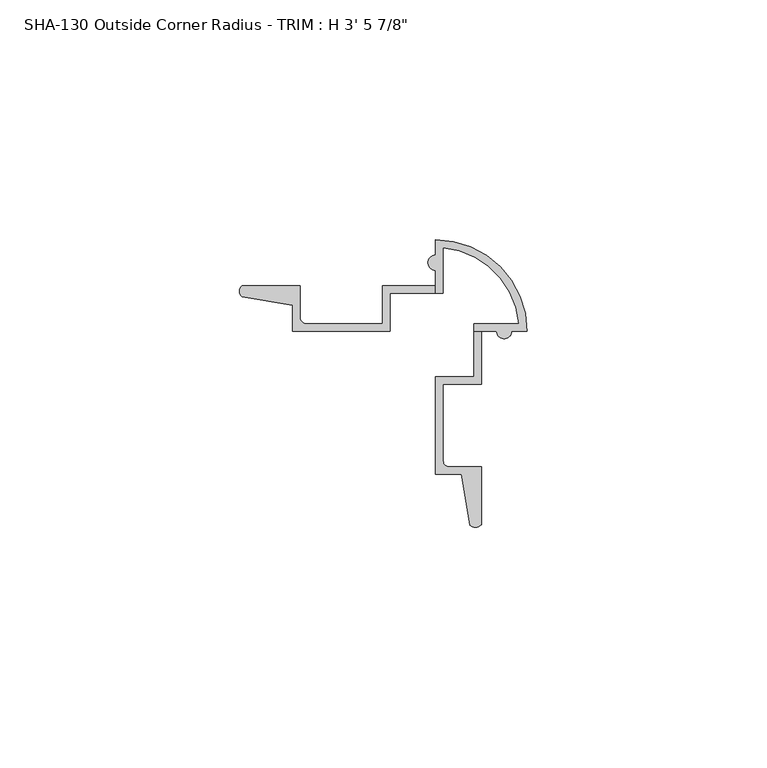
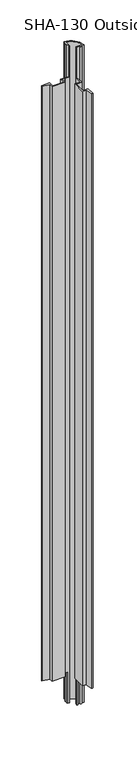
"""IFC4 building model written with IfcOpenShell, lengths in millimetres: proxy geometry."""

from ifc_helpers import new_model, si_unit, frame, origin, place, context, project, spatial, polyline, circle_curve, source, transform, mapped, element, save
from ifc_brep_helpers import plane_surface, cylinder_surface, revolved_surface, advanced_brep


def proxy_dfa4e2c7(model_context):
    return source(origin(), model_context, "Body", "AdvancedBrep", [
        advanced_brep(
        [(12.1674257, 18.5518856, 1063.625), (12.1674257, 27.9930315, 1063.625), (27.9839716, 12.1764856, 1063.625), (18.5428257, 12.1764856, 1063.625), (18.5428257, 10.6016856, 1063.625), (23.3053257, 10.6016856, 1063.625), (26.4549257, 10.6016856, 1063.625), (29.6426257, 10.6016856, 1063.625), (10.5926257, 29.6516856, 1063.625), (10.5926257, 26.4639856, 1063.625), (10.5926257, 23.3143856, 1063.625), (10.5926257, 18.5518856, 1063.625), (10.5926257, 23.3143856, 0.0), (10.5926257, 26.4639856, 0.0), (10.5926257, 29.6516856, 0.0), (29.6426257, 10.6016856, 0.0), (26.4549257, 10.6016856, 0.0), (23.3053257, 10.6016856, 0.0), (20.1176257, 10.6016856, 0.0), (20.1176257, 9.0259509, 0.0), (18.5428257, 9.0259509, 0.0), (18.5428257, 12.1764856, 0.0), (27.9839716, 12.1764856, 0.0), (12.1674257, 27.9930315, 0.0), (12.1674257, 18.5518856, 0.0), (9.0178257, 18.5518856, 0.0), (9.0178257, 20.1266856, 0.0), (10.5926257, 20.1266856, 0.0), (10.5926257, 20.1266856, 1012.825), (10.5926257, 18.5518856, 1012.825), (9.0178257, 20.1266856, 50.8), (-0.5071743, 20.1266856, 50.8), (-0.5071743, 20.1266856, 1012.825), (-0.5071743, 12.1764856, 50.8), (-0.5071743, 12.1764856, 1012.825), (-16.4035953, 12.1764856, 50.8), (-16.4035953, 12.1764856, 1012.825), (-17.6735953, 13.4464856, 50.8), (-17.6735953, 13.4464856, 1012.825), (-17.6735953, 20.1266856, 50.8), (-17.6735953, 20.1266856, 1012.825), (-29.7583984, 20.1266856, 50.8), (-29.7583984, 20.1266856, 1012.825), (-29.8244822, 17.8053164, 50.8), (-29.8244822, 17.8053164, 1012.825), (-30.2838801, 18.9340091, 1012.825), (-19.2483953, 15.9943426, 50.8), (-19.2483953, 15.9943426, 1012.825), (-19.2483953, 10.6016856, 50.8), (-19.2483953, 10.6016856, 1012.825), (1.0676257, 10.6016856, 50.8), (1.0676257, 10.6016856, 1012.825), (1.0676257, 18.5518856, 50.8), (1.0676257, 18.5518856, 1012.825), (9.0178257, 18.5518856, 50.8), (18.5428257, 9.0259509, 50.8), (18.5428257, 1.0766856, 50.8), (18.5428257, 1.0766856, 1012.825), (18.5428257, 10.6016856, 1012.825), (10.5926257, 1.0766856, 50.8), (10.5926257, 1.0766856, 1012.825), (10.5926257, -19.2393354, 50.8), (10.5926257, -19.2393354, 1012.825), (15.9852827, -19.2393354, 50.8), (15.9852827, -19.2393354, 1012.825), (17.7962565, -29.8154223, 50.8), (17.7962565, -29.8154223, 1012.825), (18.9249492, -30.2748202, 50.8), (20.1176257, -29.7493385, 50.8), (20.1176257, -29.7493385, 1012.825), (18.9249492, -30.2748202, 1012.825), (20.1176257, -17.6645354, 50.8), (20.1176257, -17.6645354, 1012.825), (13.4374257, -17.6645354, 50.8), (13.4374257, -17.6645354, 1012.825), (12.1674257, -16.3945354, 50.8), (12.1674257, -16.3945354, 1012.825), (12.1674257, -0.4981144, 50.8), (12.1674257, -0.4981144, 1012.825), (20.1176257, -0.4981144, 50.8), (20.1176257, -0.4981144, 1012.825), (20.1176257, 10.6016856, 1012.825), (20.1176257, 9.0259509, 50.8)],
        [
            (0, 1),
            (1, 2, circle_curve(frame((10.5926257, 10.6016856, 1063.625), z_axis=(0.0, 0.0, -1.0), x_axis=(1.0, 0.0, 0.0)), 17.4625)),
            (2, 3),
            (3, 4),
            (4, 5),
            (5, 6, circle_curve(frame((24.8801257, 10.6016856, 1063.625), z_axis=(0.0, 0.0, 1.0), x_axis=(1.0, 0.0, 0.0)), 1.5748)),
            (6, 7),
            (7, 8, circle_curve(frame((10.5926257, 10.6016856, 1063.625), z_axis=(0.0, 0.0, 1.0), x_axis=(1.0, 0.0, 0.0)), 19.05)),
            (8, 9),
            (9, 10, circle_curve(frame((10.5926257, 24.8891856, 1063.625), z_axis=(0.0, 0.0, 1.0), x_axis=(1.0, 0.0, 0.0)), 1.5748)),
            (10, 11),
            (11, 0),
            (12, 13, circle_curve(frame((10.5926257, 24.8891856, 0.0), z_axis=(0.0, 0.0, -1.0), x_axis=(1.0, 0.0, 0.0)), 1.5748)),
            (13, 14),
            (14, 15, circle_curve(frame((10.5926257, 10.6016856, 0.0), z_axis=(0.0, 0.0, -1.0), x_axis=(1.0, 0.0, 0.0)), 19.05)),
            (15, 16),
            (16, 17, circle_curve(frame((24.8801257, 10.6016856, 0.0), z_axis=(0.0, 0.0, -1.0), x_axis=(1.0, 0.0, 0.0)), 1.5748)),
            (17, 18),
            (18, 19),
            (19, 20),
            (20, 21),
            (21, 22),
            (22, 23, circle_curve(frame((10.5926257, 10.6016856, 0.0), z_axis=(0.0, 0.0, 1.0), x_axis=(1.0, 0.0, 0.0)), 17.4625)),
            (23, 24),
            (24, 25),
            (25, 26),
            (26, 27),
            (27, 12),
            (27, 28),
            (28, 29),
            (29, 11),
            (10, 12),
            (26, 30),
            (30, 31),
            (31, 32),
            (32, 28),
            (31, 33),
            (33, 34),
            (34, 32),
            (33, 35),
            (35, 36),
            (36, 34),
            (35, 37, circle_curve(frame((-16.4035953, 13.4464856, 50.8), z_axis=(0.0, 0.0, -1.0), x_axis=(1.0, 0.0, 0.0)), 1.27)),
            (37, 38),
            (38, 36, circle_curve(frame((-16.4035953, 13.4464856, 1012.825), z_axis=(0.0, 0.0, 1.0), x_axis=(1.0, 0.0, 0.0)), 1.27)),
            (37, 39),
            (39, 40),
            (40, 38),
            (39, 41),
            (41, 42),
            (42, 40),
            (41, 43, circle_curve(frame((-28.6676408, 18.9340091, 50.8), z_axis=(0.0, 0.0, 1.0), x_axis=(1.0, 0.0, 0.0)), 1.6162393)),
            (43, 44),
            (44, 45, circle_curve(frame((-28.6676408, 18.9340091, 1012.825), z_axis=(0.0, 0.0, -1.0), x_axis=(1.0, 0.0, 0.0)), 1.6162393)),
            (45, 42, circle_curve(frame((-28.6676408, 18.9340091, 1012.825), z_axis=(0.0, 0.0, -1.0), x_axis=(1.0, 0.0, 0.0)), 1.6162393)),
            (43, 46),
            (46, 47),
            (47, 44),
            (46, 48),
            (48, 49),
            (49, 47),
            (48, 50),
            (50, 51),
            (51, 49),
            (50, 52),
            (52, 53),
            (53, 51),
            (24, 0),
            (29, 53),
            (52, 54),
            (54, 25),
            (23, 1),
            (2, 22),
            (21, 3),
            (20, 55),
            (55, 56),
            (56, 57),
            (57, 58),
            (58, 4),
            (56, 59),
            (59, 60),
            (60, 57),
            (59, 61),
            (61, 62),
            (62, 60),
            (61, 63),
            (63, 64),
            (64, 62),
            (63, 65),
            (65, 66),
            (66, 64),
            (65, 67, circle_curve(frame((18.9249492, -28.6585809, 50.8), z_axis=(0.0, 0.0, 1.0), x_axis=(1.0, 0.0, 0.0)), 1.6162393)),
            (67, 68, circle_curve(frame((18.9249492, -28.6585809, 50.8), z_axis=(0.0, 0.0, 1.0), x_axis=(1.0, 0.0, 0.0)), 1.6162393)),
            (68, 69),
            (69, 70, circle_curve(frame((18.9249492, -28.6585809, 1012.825), z_axis=(0.0, 0.0, -1.0), x_axis=(1.0, 0.0, 0.0)), 1.6162393)),
            (70, 66, circle_curve(frame((18.9249492, -28.6585809, 1012.825), z_axis=(0.0, 0.0, -1.0), x_axis=(1.0, 0.0, 0.0)), 1.6162393)),
            (68, 71),
            (71, 72),
            (72, 69),
            (71, 73),
            (73, 74),
            (74, 72),
            (73, 75, circle_curve(frame((13.4374257, -16.3945354, 50.8), z_axis=(0.0, 0.0, -1.0), x_axis=(1.0, 0.0, 0.0)), 1.27)),
            (75, 76),
            (76, 74, circle_curve(frame((13.4374257, -16.3945354, 1012.825), z_axis=(0.0, 0.0, 1.0), x_axis=(1.0, 0.0, 0.0)), 1.27)),
            (75, 77),
            (77, 78),
            (78, 76),
            (77, 79),
            (79, 80),
            (80, 78),
            (18, 81),
            (81, 80),
            (79, 82),
            (82, 19),
            (17, 5),
            (58, 81),
            (16, 6),
            (15, 7),
            (8, 14),
            (13, 9),
            (82, 55),
            (54, 30),
        ],
        [
            plane_surface(frame((10.5926257, 20.1266856, 1063.625), z_axis=(0.0, 0.0, 1.0), x_axis=(0.0, -1.0, 0.0))),
            plane_surface(frame((10.5926257, 20.1266856, 0.0), z_axis=(0.0, 0.0, -1.0), x_axis=(0.0, 1.0, 0.0))),
            plane_surface(frame((10.5926257, 23.3143856, 1063.625), z_axis=(-1.0, 0.0, 0.0), x_axis=(0.0, 0.0, -1.0))),
            plane_surface(frame((10.5926257, 20.1266856, 1063.625), z_axis=(0.0, 1.0, 0.0), x_axis=(0.0, 0.0, -1.0))),
            plane_surface(frame((-0.5071743, 20.1266856, 1063.625), z_axis=(-1.0, 0.0, 0.0), x_axis=(0.0, 0.0, -1.0))),
            plane_surface(frame((-0.5071743, 12.1764856, 1063.625), z_axis=(0.0, 1.0, 0.0), x_axis=(0.0, 0.0, -1.0))),
            revolved_surface(polyline([(-15.1335953, 13.4464856, 50.8), (-15.1335953, 13.4464856, 1012.825)]), (-16.4035953, 13.4464856, 0.0), (0.0, 0.0, -1.0)),
            plane_surface(frame((-17.6735953, 13.4464856, 1063.625), z_axis=(1.0, 0.0, 0.0), x_axis=(0.0, 0.0, -1.0))),
            plane_surface(frame((-17.6735953, 20.1266856, 1063.625), z_axis=(0.0, 1.0, 0.0), x_axis=(0.0, 0.0, -1.0))),
            cylinder_surface(frame((-28.6676408, 18.9340091, 0.0), z_axis=(0.0, 0.0, 1.0), x_axis=(1.0, 0.0, 0.0)), 1.6162393),
            plane_surface(frame((-29.8244822, 17.8053164, 1063.625), z_axis=(-0.1687764314038563, -0.9856543593991656, 0.0), x_axis=(0.0, 0.0, -1.0))),
            plane_surface(frame((-19.2483953, 15.9943426, 1063.625), z_axis=(-1.0, 0.0, 0.0), x_axis=(0.0, 0.0, -1.0))),
            plane_surface(frame((-19.2483953, 10.6016856, 1063.625), z_axis=(0.0, -1.0, 0.0), x_axis=(0.0, 0.0, -1.0))),
            plane_surface(frame((1.0676257, 10.6016856, 1063.625), z_axis=(1.0, 0.0, 0.0), x_axis=(0.0, 0.0, -1.0))),
            plane_surface(frame((1.0676257, 18.5518856, 1063.625), z_axis=(0.0, -1.0, 0.0), x_axis=(0.0, 0.0, -1.0))),
            plane_surface(frame((12.1674257, 18.5518856, 1063.625), z_axis=(1.0, 0.0, 0.0), x_axis=(0.0, 0.0, -1.0))),
            plane_surface(frame((27.9839716, 12.1764856, 1063.625), z_axis=(0.0, 1.0, 0.0), x_axis=(0.0, 0.0, -1.0))),
            plane_surface(frame((18.5428257, 12.1764856, 1063.625), z_axis=(-1.0, 0.0, 0.0), x_axis=(0.0, 0.0, -1.0))),
            plane_surface(frame((18.5428257, 1.0766856, 1063.625), z_axis=(0.0, 1.0, 0.0), x_axis=(0.0, 0.0, -1.0))),
            plane_surface(frame((10.5926257, 1.0766856, 1063.625), z_axis=(-1.0, 0.0, 0.0), x_axis=(0.0, 0.0, -1.0))),
            plane_surface(frame((10.5926257, -19.2393354, 1063.625), z_axis=(0.0, -1.0, 0.0), x_axis=(0.0, 0.0, -1.0))),
            plane_surface(frame((15.9852827, -19.2393354, 1063.625), z_axis=(-0.9856543593990691, -0.16877643140441978, 0.0), x_axis=(0.0, 0.0, -1.0))),
            cylinder_surface(frame((18.9249492, -28.6585809, 0.0), z_axis=(0.0, 0.0, 1.0), x_axis=(1.0, 0.0, 0.0)), 1.6162393),
            plane_surface(frame((20.1176257, -29.7493385, 1063.625), z_axis=(1.0, 0.0, 0.0), x_axis=(0.0, 0.0, -1.0))),
            plane_surface(frame((20.1176257, -17.6645354, 1063.625), z_axis=(0.0, 1.0, 0.0), x_axis=(0.0, 0.0, -1.0))),
            revolved_surface(polyline([(14.7074257, -16.3945354, 50.8), (14.7074257, -16.3945354, 1012.825)]), (13.4374257, -16.3945354, 0.0), (0.0, 0.0, -1.0)),
            plane_surface(frame((12.1674257, -16.3945354, 1063.625), z_axis=(1.0, 0.0, 0.0), x_axis=(0.0, 0.0, -1.0))),
            plane_surface(frame((12.1674257, -0.4981144, 1063.625), z_axis=(0.0, -1.0, 0.0), x_axis=(0.0, 0.0, -1.0))),
            plane_surface(frame((20.1176257, -0.4981144, 1063.625), z_axis=(1.0, 0.0, 0.0), x_axis=(0.0, 0.0, -1.0))),
            plane_surface(frame((20.1176257, 10.6016856, 1063.625), z_axis=(0.0, -1.0, 0.0), x_axis=(0.0, 0.0, -1.0))),
            cylinder_surface(frame((24.8801257, 10.6016856, 0.0), z_axis=(0.0, 0.0, 1.0), x_axis=(1.0, 0.0, 0.0)), 1.5748),
            plane_surface(frame((26.4549257, 10.6016856, 1063.625), z_axis=(0.0, -1.0, 0.0), x_axis=(0.0, 0.0, -1.0))),
            plane_surface(frame((10.5926257, 29.6516856, 1063.625), z_axis=(-1.0, 0.0, 0.0), x_axis=(0.0, 0.0, -1.0))),
            cylinder_surface(frame((10.5926257, 24.8891856, 0.0), z_axis=(0.0, 0.0, 1.0), x_axis=(1.0, 0.0, 0.0)), 1.5748),
            revolved_surface(polyline([(28.055125699999998, 10.6016856, 0.0), (28.055125699999998, 10.6016856, 1063.625)]), (10.5926257, 10.6016856, 0.0), (0.0, 0.0, -1.0)),
            cylinder_surface(frame((10.5926257, 10.6016856, 0.0), z_axis=(0.0, 0.0, 1.0), x_axis=(1.0, 0.0, 0.0)), 19.05),
            plane_surface(frame((20.1176257, -30.2748202, 1012.825), z_axis=(0.0, 0.0, 1.0), x_axis=(-1.0, 0.0, 0.0))),
            plane_surface(frame((20.1176257, 9.0259509, 0.0), z_axis=(0.0, -1.0, 0.0), x_axis=(-1.0, 0.0, 0.0))),
            plane_surface(frame((20.1176257, 9.0259509, 50.8), z_axis=(0.0, 0.0, -1.0), x_axis=(-1.0, 0.0, 0.0))),
            plane_surface(frame((-30.2838801, 10.515986, 1012.825), z_axis=(0.0, 0.0, 1.0), x_axis=(0.0, 1.0, 0.0))),
            plane_surface(frame((9.0178257, 10.515986, 0.0), z_axis=(-1.0, 0.0, 0.0), x_axis=(0.0, 1.0, 0.0))),
            plane_surface(frame((9.0178257, 10.515986, 50.8), z_axis=(0.0, 0.0, -1.0), x_axis=(0.0, 1.0, 0.0))),
        ],
        [
            (0, [[1, 2, 3, 4, 5, 6, 7, 8, 9, 10, 11, 12]]),
            (1, [[13, 14, 15, 16, 17, 18, 19, 20, 21, 22, 23, 24, 25, 26, 27, 28]]),
            (2, [[-28, 29, 30, 31, -11, 32]]),
            (3, [[-27, 33, 34, 35, 36, -29]]),
            (4, [[-35, 37, 38, 39]]),
            (5, [[-38, 40, 41, 42]]),
            (6, [[-41, 43, 44, 45]]),
            (7, [[-44, 46, 47, 48]]),
            (8, [[-47, 49, 50, 51]]),
            (9, [[-50, 52, 53, 54, 55]]),
            (10, [[-53, 56, 57, 58]]),
            (11, [[-57, 59, 60, 61]]),
            (12, [[-60, 62, 63, 64]]),
            (13, [[-63, 65, 66, 67]]),
            (14, [[68, -12, -31, 69, -66, 70, 71, -25]]),
            (15, [[-1, -68, -24, 72]]),
            (16, [[-3, 73, -22, 74]]),
            (17, [[-74, -21, 75, 76, 77, 78, 79, -4]]),
            (18, [[-77, 80, 81, 82]]),
            (19, [[-81, 83, 84, 85]]),
            (20, [[-84, 86, 87, 88]]),
            (21, [[-87, 89, 90, 91]]),
            (22, [[-90, 92, 93, 94, 95, 96]]),
            (23, [[-94, 97, 98, 99]]),
            (24, [[-98, 100, 101, 102]]),
            (25, [[-101, 103, 104, 105]]),
            (26, [[-104, 106, 107, 108]]),
            (27, [[-107, 109, 110, 111]]),
            (28, [[-19, 112, 113, -110, 114, 115]]),
            (29, [[-18, 116, -5, -79, 117, -112]]),
            (30, [[-6, -116, -17, 118]]),
            (31, [[-7, -118, -16, 119]]),
            (32, [[-9, 120, -14, 121]]),
            (33, [[-10, -121, -13, -32]]),
            (34, [[-2, -72, -23, -73]]),
            (35, [[-8, -119, -15, -120]]),
            (36, [[-117, -78, -82, -85, -88, -91, -96, -95, -99, -102, -105, -108, -111, -113]]),
            (37, [[122, -75, -20, -115]]),
            (38, [[-122, -114, -109, -106, -103, -100, -97, -93, -92, -89, -86, -83, -80, -76]]),
            (39, [[-30, -36, -39, -42, -45, -48, -51, -55, -54, -58, -61, -64, -67, -69]]),
            (40, [[123, -33, -26, -71]]),
            (41, [[-123, -70, -65, -62, -59, -56, -52, -49, -46, -43, -40, -37, -34]]),
        ],
    ),
    ])


if __name__ == "__main__":
    model = new_model("IFC4")
    model_context = context("Model", 3, world=origin())
    ifc_project = project(units=[si_unit("LENGTHUNIT", "METRE", prefix="MILLI")], contexts=[model_context])
    site = spatial("IfcSite", under=ifc_project)
    building = spatial("IfcBuilding", under=site)
    placement = place(None, origin())
    proxy_shape = proxy_dfa4e2c7(model_context)
    element("IfcBuildingElementProxy", 1, Name="SHA-130 Outside Corner Radius - TRIM : H 3' 5 7/8\"", ObjectType="SHA-130 Outside Corner Radius - TRIM : H 3' 5 7/8\"", at=placement, inside=building, context=model_context, shape_type="MappedRepresentation", body=[
        mapped(proxy_shape, transform((0.0, 0.0, 0.0), x_axis=(1.0, 0.0, 0.0), y_axis=(0.0, 1.0, 0.0), z_axis=(0.0, 0.0, 1.0))),
    ])
    save(model, "model.ifc")
